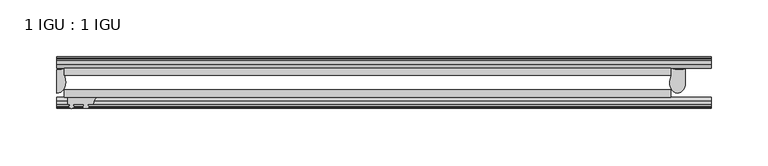
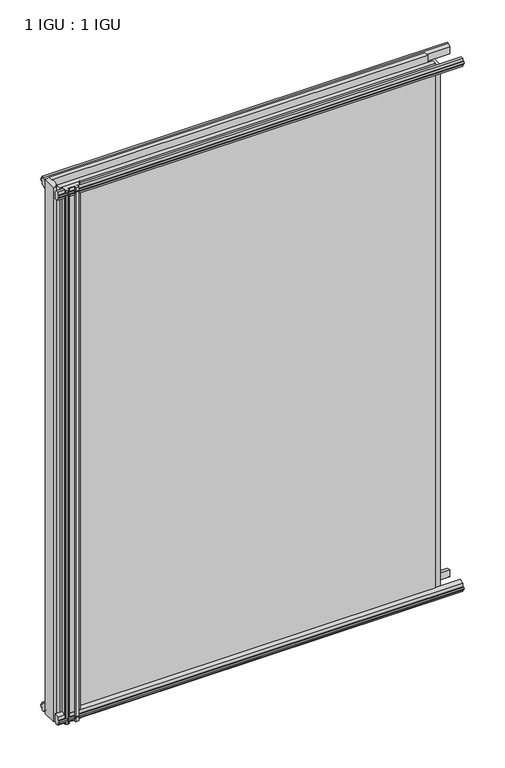
"""IFC4 building model written with IfcOpenShell, lengths in millimetres: plate geometry, 1 IGU : 1 IGU."""

from ifc_helpers import new_model, si_unit, point, frame, frame_2d, origin, place, context, project, spatial, polyline, circle_curve, ellipse_curve, trimmed, segment, composite_curve, outline, extrude, source, transform, mapped, element, save
from ifc_brep_helpers import plane_surface, cylinder_surface, revolved_surface, extruded_surface, advanced_brep


def plate_1_igu_1_igu_07cbaf3d(model_context):
    return source(origin(), model_context, "Body", "SolidModel", [
        extrude(outline(polyline([(-314.3261907, -38.6468937), (218.0840032, -38.6468937), (218.0840032, -44.9460938), (-314.3261907, -44.9460938), (-314.3261907, -38.6468937)])), frame((0.0, 0.0, -12.7), z_axis=(0.0, 0.0, 1.0), x_axis=(1.0, 0.0, 0.0)), (0.0, 0.0, 1.0), 800.0872996),
        extrude(outline(polyline([(-314.3261907, -19.5460937), (218.0840032, -19.5460937), (218.0840032, -25.8960938), (-314.3261907, -25.8960938), (-314.3261907, -19.5460937)])), frame((0.0, 0.0, -12.7), z_axis=(0.0, 0.0, 1.0), x_axis=(1.0, 0.0, 0.0)), (0.0, 0.0, 1.0), 800.0872996),
        advanced_brep(
        [(230.8149887, -20.0381352, 774.6872996), (218.1149887, -19.5460938, 774.6872996), (218.1149887, -25.8960938, 774.6872996), (217.2629308, -29.4671887, 774.6872996), (230.8149887, -32.2460938, 774.6872996), (230.8149887, -20.0381352, -12.4587), (230.8149887, -32.2460938, -12.4587), (217.266167, -29.4679608, -12.4587), (218.1149887, -25.8960938, -12.4587), (218.1149887, -19.5460938, -12.4587)],
        [
            (0, 1, circle_curve(frame((225.0982619, -3.4468047, 774.6872996), z_axis=(0.0, 0.0, -1.0), x_axis=(0.0, 1.0, 0.0)), 17.5485957)),
            (1, 2),
            (2, 3),
            (3, 4, ellipse_curve(frame((223.8788201, -32.2460938, 774.6872996), z_axis=(0.0, 0.0, 1.0), x_axis=(0.0, -1.0, 0.0)), 9.2039536, 6.9361686)),
            (4, 0),
            (5, 6),
            (6, 7, ellipse_curve(frame((223.8788201, -32.2460938, -12.4587), z_axis=(0.0, 0.0, -1.0), x_axis=(0.0, -1.0, 0.0)), 9.2039536, 6.9361686)),
            (7, 8),
            (8, 9),
            (9, 5, circle_curve(frame((225.0982619, -3.4468047, -12.4587), z_axis=(0.0, 0.0, 1.0), x_axis=(0.0, 1.0, 0.0)), 17.5485957)),
            (0, 5),
            (9, 1),
            (8, 2),
            (7, 3),
            (6, 4),
        ],
        [
            plane_surface(frame((253.2074407, -13.1960938, 774.6872996), z_axis=(0.0, 0.0, 1.0), x_axis=(0.0, 1.0, 0.0))),
            plane_surface(frame((253.2074407, -13.1960938, -12.4587), z_axis=(0.0, 0.0, -1.0), x_axis=(0.0, 1.0, 0.0))),
            revolved_surface(polyline([(225.0982619, 14.101791, -12.458700000000022), (225.0982619, 14.101791, 774.6872996)]), (225.0982619, -3.4468047, 774.6872996), (0.0, 0.0, -1.0)),
            plane_surface(frame((218.1149887, -19.5460938, 774.6872996), z_axis=(-1.0, 0.0, 0.0), x_axis=(0.0, 0.0, -1.0))),
            plane_surface(frame((218.1149887, -25.8960938, 774.6872996), z_axis=(-0.972695803429064, 0.23208376503212744, 0.0), x_axis=(0.0, 0.0, -1.0))),
            extruded_surface(trimmed(ellipse_curve(frame((223.8788201, -32.2460938, -12.4587), z_axis=(0.0, 0.0, 1.0), x_axis=(0.0, -1.0, 0.0)), 9.2039536, 6.9361686), [point((217.266167, -29.4679608, -12.4587))], [point((230.8149887, -32.2460938, -12.4587))], True, "CARTESIAN"), (0.0, 0.0, 787.1459996), 787.1459996),
            plane_surface(frame((230.8149887, -32.2460938, 774.6872996), z_axis=(1.0, 0.0, 0.0), x_axis=(0.0, 0.0, -1.0))),
        ],
        [
            (0, [[1, 2, 3, 4, 5]]),
            (1, [[6, 7, 8, 9, 10]]),
            (2, [[-1, 11, -10, 12]]),
            (3, [[-2, -12, -9, 13]]),
            (4, [[-3, -13, -8, 14]]),
            (5, [[-4, -14, -7, 15]]),
            (6, [[-5, -15, -6, -11]]),
        ],
    ),
        advanced_brep(
        [(-320.6761907, -21.1706006, -12.7), (-314.3275788, -19.5461438, -12.7), (-314.3275788, -25.8549351, -12.7), (-313.1522276, -32.21431, -12.7), (-320.6761907, -41.5384043, -12.7), (-320.6761907, -21.1706006, 787.3872996), (-320.6761907, -41.5384043, 787.3872996), (-313.1522276, -32.21431, 787.3872996), (-314.3275788, -25.8549351, 787.3872996), (-314.3275788, -19.5461438, 787.3872996)],
        [
            (0, 1, circle_curve(frame((-320.6767601, -7.9505008, -12.7), z_axis=(0.0, 0.0, 1.0), x_axis=(1.0, 0.0, 0.0)), 13.2200998)),
            (1, 2),
            (2, 3, circle_curve(frame((-331.2145919, -32.2643264, -12.7), z_axis=(0.0, 0.0, -1.0), x_axis=(1.0, 0.0, 0.0)), 18.0624336)),
            (3, 4, ellipse_curve(frame((-320.6753578, -32.2460921, -12.7), z_axis=(0.0, 0.0, -1.0), x_axis=(0.0, -1.0, 0.0)), 9.2923123, 7.5231742)),
            (4, 0),
            (5, 6),
            (6, 7, ellipse_curve(frame((-320.6753578, -32.2460921, 787.3872996), z_axis=(0.0, 0.0, 1.0), x_axis=(0.0, -1.0, 0.0)), 9.2923123, 7.5231742)),
            (7, 8, circle_curve(frame((-331.2145919, -32.2643264, 787.3872996), z_axis=(0.0, 0.0, 1.0), x_axis=(1.0, 0.0, 0.0)), 18.0624336)),
            (8, 9),
            (9, 5, circle_curve(frame((-320.6767601, -7.9505008, 787.3872996), z_axis=(0.0, 0.0, -1.0), x_axis=(1.0, 0.0, 0.0)), 13.2200998)),
            (0, 5),
            (9, 1),
            (8, 2),
            (7, 3),
            (6, 4),
        ],
        [
            plane_surface(frame((-320.6761907, -13.1960937, -12.7), z_axis=(0.0, 0.0, -1.0), x_axis=(0.0, 1.0, 0.0))),
            plane_surface(frame((-320.6761907, -13.1960937, 787.3872996), z_axis=(0.0, 0.0, 1.0), x_axis=(0.0, 1.0, 0.0))),
            revolved_surface(polyline([(-307.4566603, -7.9505008, 787.3872996), (-307.4566603, -7.9505008, -12.7)]), (-320.6767601, -7.9505008, -12.7), (0.0, 0.0, 1.0)),
            plane_surface(frame((-314.3275788, -19.5461438, -12.7), z_axis=(1.0, 0.0, 0.0), x_axis=(0.0, 0.0, 1.0))),
            cylinder_surface(frame((-331.2145919, -32.2643264, -12.7), z_axis=(0.0, 0.0, -1.0), x_axis=(1.0, 0.0, 0.0)), 18.0624336),
            extruded_surface(trimmed(ellipse_curve(frame((-320.6753578, -32.2460921, 787.3872996), z_axis=(0.0, 0.0, -1.0), x_axis=(0.0, -1.0, 0.0)), 9.2923123, 7.5231742), [point((-313.1522276, -32.21431, 787.3872996))], [point((-320.6761907, -41.5384043, 787.3872996))], True, "CARTESIAN"), (0.0, 0.0, -800.0872996), 800.0872996),
            plane_surface(frame((-320.6761907, -41.5384043, -12.7), z_axis=(-1.0, 0.0, 0.0), x_axis=(0.0, 0.0, 1.0))),
        ],
        [
            (0, [[1, 2, 3, 4, 5]]),
            (1, [[6, 7, 8, 9, 10]]),
            (2, [[-1, 11, -10, 12]]),
            (3, [[-2, -12, -9, 13]]),
            (4, [[-3, -13, -8, 14]]),
            (5, [[-4, -14, -7, 15]]),
            (6, [[-5, -15, -6, -11]]),
        ],
    ),
        extrude(outline(polyline([(-44.9460937, 1.7177181), (-44.9460937, -9.1036578), (-48.3496937, -11.938), (-51.2960937, -11.938), (-51.2960937, -7.493), (-53.6762907, -7.112), (-53.2163575, -8.5275291), (-54.0175717, -8.5275291), (-54.7250937, -6.35), (-54.0175717, -4.1724709), (-53.2163575, -4.1724709), (-53.6762907, -5.588), (-51.2960937, -5.207), (-51.2960937, 0.0), (-44.9460937, 1.7177181)])), frame((-320.6761907, 0.0, 0.0), z_axis=(1.0, 0.0, 0.0), x_axis=(0.0, 1.0, 0.0)), (0.0, 0.0, 1.0), 573.8836314),
        extrude(outline(polyline([(-13.1960937, -12.4587), (-16.1424937, -12.4587), (-19.5460937, -9.6243578), (-19.5460937, 1.1970181), (-13.1960937, -0.5207), (-13.1960937, -5.7277), (-10.8158968, -6.1087), (-11.27583, -4.6931709), (-10.4746158, -4.6931709), (-9.7670937, -6.8707), (-10.4746158, -9.0482291), (-11.27583, -9.0482291), (-10.8158968, -7.6327), (-13.1960937, -8.0137), (-13.1960937, -12.4587)])), frame((-320.6761907, 0.0, 0.0), z_axis=(1.0, 0.0, 0.0), x_axis=(0.0, 1.0, 0.0)), (0.0, 0.0, 1.0), 573.8836314),
        extrude(outline(polyline([(-51.2960937, 786.6252996), (-48.3496937, 786.6252996), (-44.9460937, 783.7909574), (-44.9460937, 772.9695815), (-51.2960937, 774.6872996), (-51.2960937, 779.8942996), (-53.6762907, 780.2752996), (-53.2163575, 778.8597705), (-54.0175717, 778.8597705), (-54.7250937, 781.0372996), (-54.0175717, 783.2148286), (-53.2163575, 783.2148286), (-53.6762907, 781.7992996), (-51.2960937, 782.1802996), (-51.2960937, 786.6252996)])), frame((-320.6761907, 0.0, 0.0), z_axis=(1.0, 0.0, 0.0), x_axis=(0.0, 1.0, 0.0)), (0.0, 0.0, 1.0), 573.8836314),
        extrude(outline(polyline([(-19.5460937, 773.4902815), (-19.5460937, 784.3116574), (-16.1424937, 787.1459996), (-13.1960937, 787.1459996), (-13.1960937, 782.7009996), (-10.8158968, 782.3199996), (-11.27583, 783.7355286), (-10.4746158, 783.7355286), (-9.7670937, 781.5579996), (-10.4746158, 779.3804705), (-11.27583, 779.3804705), (-10.8158968, 780.7959996), (-13.1960937, 780.4149996), (-13.1960937, 775.2079996), (-19.5460937, 773.4902815)])), frame((-320.6761907, 0.0, 0.0), z_axis=(1.0, 0.0, 0.0), x_axis=(0.0, 1.0, 0.0)), (0.0, 0.0, 1.0), 573.8836314),
        extrude(outline(composite_curve([segment(trimmed(circle_curve(frame_2d((-279.9102594, -51.9750196)), 9.0414579), [point((-285.5972763, -44.9460938))], [point((-288.9261909, -51.2960938))], True, "CARTESIAN"), True, "CONTINUOUS"), segment(polyline([(-288.9261909, -51.2960938), (-293.1679909, -51.2960938)]), True, "CONTINUOUS"), segment(trimmed(circle_curve(frame_2d((-293.1679909, -51.7532938)), 0.4572), [point((-293.1679909, -51.2960938))], [point((-293.5068087, -52.0602698))], True, "CARTESIAN"), True, "CONTINUOUS"), segment(trimmed(circle_curve(frame_2d((-295.2761909, -53.663367)), 2.3876), [point((-293.5068087, -52.0602698))], [point((-293.2055479, -54.8520938))], False, "CARTESIAN"), True, "CONTINUOUS"), segment(polyline([(-293.2055479, -54.8520938), (-297.3468339, -54.8520938)]), True, "CONTINUOUS"), segment(trimmed(circle_curve(frame_2d((-295.2761909, -53.663367)), 2.3876), [point((-297.3468339, -54.8520938))], [point((-297.045573, -52.0602698))], False, "CARTESIAN"), True, "CONTINUOUS"), segment(trimmed(circle_curve(frame_2d((-297.3843909, -51.7532938)), 0.4572), [point((-297.045573, -52.0602698))], [point((-297.3843909, -51.2960938))], True, "CARTESIAN"), True, "CONTINUOUS"), segment(polyline([(-297.3843909, -51.2960938), (-306.4521909, -51.2960938), (-306.4521909, -52.9470938), (-305.3745601, -52.9470938)]), True, "CONTINUOUS"), segment(trimmed(circle_curve(frame_2d((-306.4521909, -52.9470938)), 1.0776307), [point((-305.3745601, -52.9470938))], [point((-305.6901909, -53.7090938))], False, "CARTESIAN"), True, "CONTINUOUS"), segment(polyline([(-305.6901909, -53.7090938), (-307.4294833, -54.8194621)]), True, "CONTINUOUS"), segment(trimmed(circle_curve(frame_2d((-307.9761909, -53.9630938)), 1.016), [point((-307.4294833, -54.8194621))], [point((-308.5228985, -54.8194621))], False, "CARTESIAN"), True, "CONTINUOUS"), segment(polyline([(-308.5228985, -54.8194621), (-310.2621909, -53.7090938)]), True, "CONTINUOUS"), segment(trimmed(circle_curve(frame_2d((-309.5001909, -52.9470938)), 1.0776307), [point((-310.2621909, -53.7090938))], [point((-310.5778216, -52.9470938))], False, "CARTESIAN"), True, "CONTINUOUS"), segment(polyline([(-310.5778216, -52.9470938), (-309.5001909, -52.9470938), (-309.5001909, -51.2960938), (-311.1511909, -51.2960938), (-311.1511909, -44.9460938), (-285.5972763, -44.9460938)]), True, "CONTINUOUS")], self_intersect=False)), frame((0.0, 0.0, -12.7), z_axis=(0.0, 0.0, 1.0), x_axis=(1.0, 0.0, 0.0)), (0.0, 0.0, 1.0), 800.0872997),
    ])


if __name__ == "__main__":
    model = new_model("IFC4")
    model_context = context("Model", 3, world=origin())
    ifc_project = project(units=[si_unit("LENGTHUNIT", "METRE", prefix="MILLI")], contexts=[model_context])
    site = spatial("IfcSite", under=ifc_project)
    building = spatial("IfcBuilding", under=site)
    placement = place(None, origin())
    plate_1_igu_1_igu_shape = plate_1_igu_1_igu_07cbaf3d(model_context)
    element("IfcPlate", 1, ObjectType="1 IGU : 1 IGU", at=placement, inside=building, context=model_context, shape_type="MappedRepresentation", body=[
        mapped(plate_1_igu_1_igu_shape, transform((0.0, 0.0, 0.0), x_axis=(1.0, 0.0, 0.0), y_axis=(0.0, 1.0, 0.0), z_axis=(0.0, 0.0, 1.0))),
    ])
    save(model, "model.ifc")
